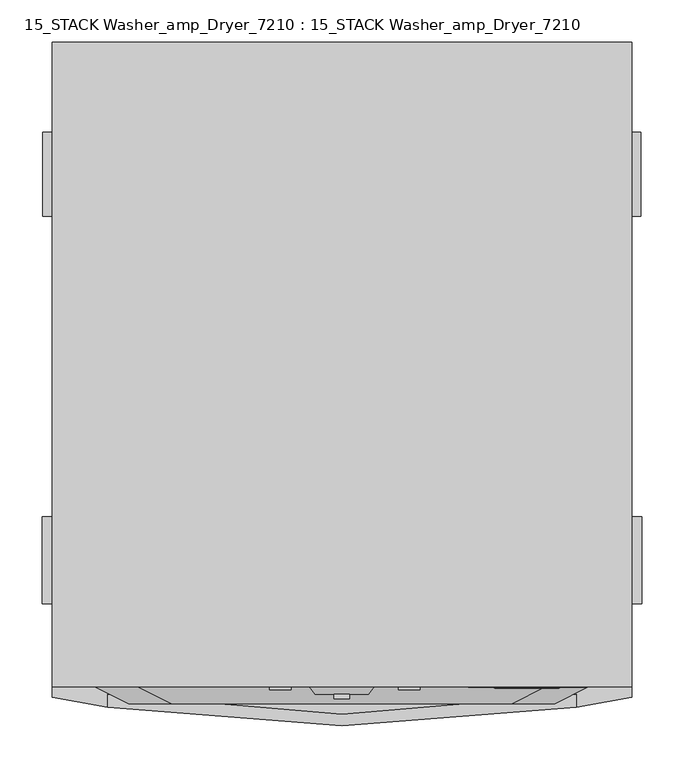
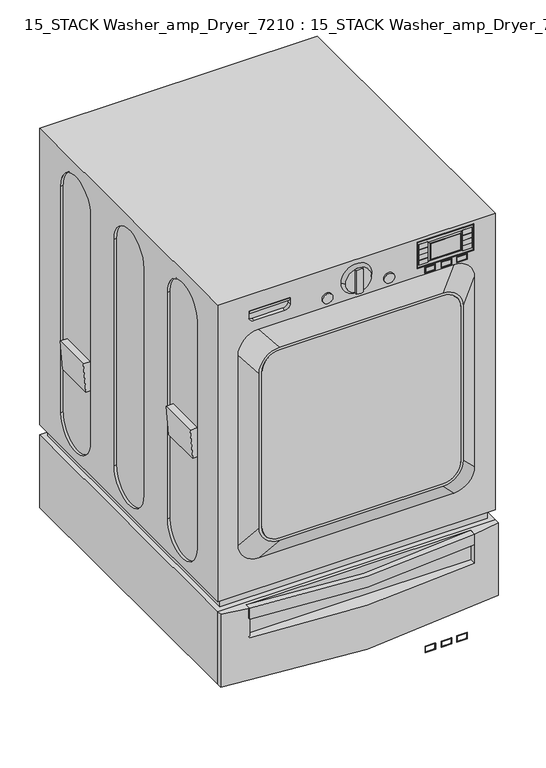
"""IFC4 building model written with IfcOpenShell, lengths in millimetres: proxy geometry, 15_STACK Washer_amp_Dryer_7210 : 15_STACK Washer_amp_Dryer_7210."""

from ifc_helpers import new_model, si_unit, point, frame, frame_2d, origin, place, context, project, spatial, polyline, circle_curve, trimmed, segment, composite_curve, outline, extrude, faceted_brep, source, transform, mapped, element, save
from ifc_brep_helpers import plane_surface, cylinder_surface, revolved_surface, extruded_surface, advanced_brep


def proxy_15_stack_washer_amp_dryer_7210_15_stack_washer_amp_69aaa019(model_context):
    return source(origin(), model_context, "Body", "SolidModel", [
        extrude(outline(polyline([(1902.0009332, 211.0211321), (1902.0009332, 185.1994352), (1886.1259332, 185.1994352), (1886.1259332, 211.0211321), (1902.0009332, 211.0211321)]), holes=[polyline([(1900.4134332, 186.7869352), (1900.4134332, 209.4336321), (1887.7134332, 209.4336321), (1887.7134332, 186.7869352), (1900.4134332, 186.7869352)])]), frame((0.0, -391.0803098, 0.0), z_axis=(0.0, 1.0, 0.0), x_axis=(0.0, 0.0, 1.0)), (0.0, 0.0, 1.0), 0.7866653),
        extrude(outline(polyline([(1902.0009332, 251.3883744), (1902.0009332, 225.5666775), (1886.1259332, 225.5666775), (1886.1259332, 251.3883744), (1902.0009332, 251.3883744)]), holes=[polyline([(1900.4134332, 227.1541775), (1900.4134332, 249.8008744), (1887.7134332, 249.8008744), (1887.7134332, 227.1541775), (1900.4134332, 227.1541775)])]), frame((0.0, -391.0803098, 0.0), z_axis=(0.0, 1.0, 0.0), x_axis=(0.0, 0.0, 1.0)), (0.0, 0.0, 1.0), 0.7866653),
        extrude(outline(polyline([(1902.0009332, 263.6666775), (1886.1259332, 263.6666775), (1886.1259332, 289.4883744), (1902.0009332, 289.4883744), (1902.0009332, 263.6666775)]), holes=[polyline([(1900.4134332, 265.2541775), (1900.4134332, 287.9008744), (1887.7134332, 287.9008744), (1887.7134332, 265.2541775), (1900.4134332, 265.2541775)])]), frame((0.0, -391.0803098, 0.0), z_axis=(0.0, 1.0, 0.0), x_axis=(0.0, 0.0, 1.0)), (0.0, 0.0, 1.0), 0.7866653),
        extrude(outline(polyline([(192.1864685, -391.0803098), (169.5397716, -391.0803098), (169.5397716, -390.2936445), (192.1864685, -390.2936445), (192.1864685, -391.0803098)])), frame((0.0, 0.0, 1952.9238204), z_axis=(0.0, 0.0, 1.0), x_axis=(1.0, 0.0, 0.0)), (0.0, 0.0, 1.0), 12.7),
        extrude(outline(polyline([(192.1864685, -391.0803098), (169.5397716, -391.0803098), (169.5397716, -390.2936445), (192.1864685, -390.2936445), (192.1864685, -391.0803098)])), frame((0.0, 0.0, 1939.0616641), z_axis=(0.0, 0.0, 1.0), x_axis=(1.0, 0.0, 0.0)), (0.0, 0.0, 1.0), 12.7),
        extrude(outline(polyline([(192.1864685, -391.0803098), (169.5397716, -391.0803098), (169.5397716, -390.2936445), (192.1864685, -390.2936445), (192.1864685, -391.0803098)])), frame((0.0, 0.0, 1925.646144), z_axis=(0.0, 0.0, 1.0), x_axis=(1.0, 0.0, 0.0)), (0.0, 0.0, 1.0), 12.7),
        extrude(outline(polyline([(192.1864685, -391.0803098), (169.5397716, -391.0803098), (169.5397716, -390.2936445), (192.1864685, -390.2936445), (192.1864685, -391.0803098)])), frame((0.0, 0.0, 1912.0185599), z_axis=(0.0, 0.0, 1.0), x_axis=(1.0, 0.0, 0.0)), (0.0, 0.0, 1.0), 12.7),
        extrude(outline(polyline([(301.0896339, -391.0803098), (278.442937, -391.0803098), (278.442937, -390.2936445), (301.0896339, -390.2936445), (301.0896339, -391.0803098)])), frame((0.0, 0.0, 1952.9238204), z_axis=(0.0, 0.0, 1.0), x_axis=(1.0, 0.0, 0.0)), (0.0, 0.0, 1.0), 12.7),
        extrude(outline(polyline([(301.0896339, -391.0803098), (278.442937, -391.0803098), (278.442937, -390.2936445), (301.0896339, -390.2936445), (301.0896339, -391.0803098)])), frame((0.0, 0.0, 1939.0616641), z_axis=(0.0, 0.0, 1.0), x_axis=(1.0, 0.0, 0.0)), (0.0, 0.0, 1.0), 12.7),
        extrude(outline(polyline([(301.0896339, -391.0803098), (278.442937, -391.0803098), (278.442937, -390.2936445), (301.0896339, -390.2936445), (301.0896339, -391.0803098)])), frame((0.0, 0.0, 1925.646144), z_axis=(0.0, 0.0, 1.0), x_axis=(1.0, 0.0, 0.0)), (0.0, 0.0, 1.0), 12.7),
        extrude(outline(polyline([(301.0896339, -391.0803098), (278.442937, -391.0803098), (278.442937, -390.2936445), (301.0896339, -390.2936445), (301.0896339, -391.0803098)])), frame((0.0, 0.0, 1912.0185599), z_axis=(0.0, 0.0, 1.0), x_axis=(1.0, 0.0, 0.0)), (0.0, 0.0, 1.0), 12.7),
        extrude(outline(polyline([(209.4336321, -391.0803098), (186.7869352, -391.0803098), (186.7869352, -390.2936445), (209.4336321, -390.2936445), (209.4336321, -391.0803098)])), frame((0.0, 0.0, 1887.7134332), z_axis=(0.0, 0.0, 1.0), x_axis=(1.0, 0.0, 0.0)), (0.0, 0.0, 1.0), 12.7),
        extrude(outline(polyline([(249.8008744, -391.0803098), (227.1541775, -391.0803098), (227.1541775, -390.2936445), (249.8008744, -390.2936445), (249.8008744, -391.0803098)])), frame((0.0, 0.0, 1887.7134332), z_axis=(0.0, 0.0, 1.0), x_axis=(1.0, 0.0, 0.0)), (0.0, 0.0, 1.0), 12.7),
        extrude(outline(polyline([(287.9008744, -391.0803098), (265.2541775, -391.0803098), (265.2541775, -390.2936445), (287.9008744, -390.2936445), (287.9008744, -391.0803098)])), frame((0.0, 0.0, 1887.7134332), z_axis=(0.0, 0.0, 1.0), x_axis=(1.0, 0.0, 0.0)), (0.0, 0.0, 1.0), 12.7),
        extrude(outline(polyline([(1973.0557153, 305.6694554), (1973.0557153, 165.9694554), (1904.4673607, 165.9694554), (1904.4673607, 305.6694554), (1973.0557153, 305.6694554)]), holes=[polyline([(1971.4682153, 304.0819554), (1906.0548607, 304.0819554), (1906.0548607, 167.5569554), (1971.4682153, 167.5569554), (1971.4682153, 304.0819554)])]), frame((0.0, -391.0803098, 0.0), z_axis=(0.0, 1.0, 0.0), x_axis=(0.0, 0.0, 1.0)), (0.0, 0.0, 1.0), 0.7866653),
        extrude(outline(polyline([(271.8272028, -392.0423381), (198.8022028, -392.0423381), (198.8022028, -390.2936445), (271.8272028, -390.2936445), (271.8272028, -392.0423381)])), frame((0.0, 0.0, 1918.124038), z_axis=(0.0, 0.0, 1.0), x_axis=(1.0, 0.0, 0.0)), (0.0, 0.0, 1.0), 41.275),
        faceted_brep([(197.2147028, -392.0423381, 1916.536538), (273.4147028, -392.0423381, 1916.536538), (273.4147028, -392.0423381, 1960.986538), (197.2147028, -392.0423381, 1960.986538), (271.8272028, -392.0423381, 1918.124038), (198.8022028, -392.0423381, 1918.124038), (198.8022028, -392.0423381, 1959.399038), (271.8272028, -392.0423381, 1959.399038), (194.0397028, -390.2936445, 1913.361538), (194.0397028, -390.2936445, 1964.161538), (276.5897028, -390.2936445, 1964.161538), (276.5897028, -390.2936445, 1913.361538), (198.8022028, -390.2936445, 1918.124038), (271.8272028, -390.2936445, 1918.124038), (271.8272028, -390.2936445, 1959.399038), (198.8022028, -390.2936445, 1959.399038)], [[[0, 1, 2, 3], [4, 5, 6, 7]], [[8, 9, 10, 11], [12, 13, 14, 15]], [[1, 0, 8, 11]], [[2, 1, 11, 10]], [[3, 2, 10, 9]], [[0, 3, 9, 8]], [[12, 5, 4, 13]], [[5, 12, 15, 6]], [[6, 15, 14, 7]], [[13, 4, 7, 14]]]),
        extrude(outline(polyline([(-147.4867893, -390.2936445), (-249.0867893, -390.2936445), (-249.0867893, -380.7400742), (-147.4867893, -380.7400742), (-147.4867893, -390.2936445)])), frame((0.0, 0.0, 1932.3444816), z_axis=(0.0, 0.0, 1.0), x_axis=(1.0, 0.0, 0.0)), (0.0, 0.0, 1.0), 6.35),
        extrude(outline(composite_curve([segment(trimmed(circle_curve(frame_2d((1906.2229173, -56.4640076)), 12.7), [point((1906.2229173, -43.7640076))], [point((1906.2229173, -69.1640076))], False, "CARTESIAN"), True, "CONTINUOUS"), segment(trimmed(circle_curve(frame_2d((1906.2229173, -56.4640076)), 12.7), [point((1906.2229173, -69.1640076))], [point((1906.2229173, -43.7640076))], False, "CARTESIAN"), True, "CONTINUOUS")], self_intersect=False)), frame((0.0, -394.0008539, 0.0), z_axis=(0.0, 1.0, 0.0), x_axis=(0.0, 0.0, 1.0)), (0.0, 0.0, 1.0), 3.7072094),
        extrude(outline(composite_curve([segment(trimmed(circle_curve(frame_2d((1906.2229173, 95.9359924)), 12.7), [point((1906.2229173, 108.6359924))], [point((1906.2229173, 83.2359924))], False, "CARTESIAN"), True, "CONTINUOUS"), segment(trimmed(circle_curve(frame_2d((1906.2229173, 95.9359924)), 12.7), [point((1906.2229173, 83.2359924))], [point((1906.2229173, 108.6359924))], False, "CARTESIAN"), True, "CONTINUOUS")], self_intersect=False)), frame((0.0, -394.0008539, 0.0), z_axis=(0.0, 1.0, 0.0), x_axis=(0.0, 0.0, 1.0)), (0.0, 0.0, 1.0), 3.7072094),
        extrude(outline(composite_curve([segment(trimmed(circle_curve(frame_2d((1932.1956378, 16.4238057)), 31.75), [point((1901.7609639, 7.3798503))], [point((1901.7609639, 25.467761))], False, "CARTESIAN"), True, "CONTINUOUS"), segment(polyline([(1901.7609639, 25.467761), (1962.6303116, 25.467761)]), True, "CONTINUOUS"), segment(trimmed(circle_curve(frame_2d((1932.1956378, 16.4238057)), 31.75), [point((1962.6303116, 25.467761))], [point((1962.6303116, 7.3798503))], False, "CARTESIAN"), True, "CONTINUOUS"), segment(polyline([(1962.6303116, 7.3798503), (1901.7609639, 7.3798503)]), True, "CONTINUOUS")], self_intersect=False)), frame((0.0, -404.6161886, 0.0), z_axis=(0.0, 1.0, 0.0), x_axis=(0.0, 0.0, 1.0)), (0.0, 0.0, 1.0), 5.5090694),
        advanced_brep(
        [(48.1738057, -399.1071192, 1932.1956378), (-15.3261943, -399.1071192, 1932.1956378), (54.5238057, -390.2936445, 1932.1956378), (-21.6761943, -390.2936445, 1932.1956378)],
        [
            (0, 1, circle_curve(frame((16.4238057, -399.1071192, 1932.1956378), z_axis=(0.0, -1.0, 0.0), x_axis=(1.0, 0.0, 0.0)), 31.75)),
            (1, 0, circle_curve(frame((16.4238057, -399.1071192, 1932.1956378), z_axis=(0.0, -1.0, 0.0), x_axis=(-1.0, 0.0, 0.0)), 31.75)),
            (2, 3, circle_curve(frame((16.4238057, -390.2936445, 1932.1956378), z_axis=(0.0, 1.0, 0.0), x_axis=(-1.0, 0.0, 0.0)), 38.1)),
            (3, 2, circle_curve(frame((16.4238057, -390.2936445, 1932.1956378), z_axis=(0.0, 1.0, 0.0), x_axis=(1.0, 0.0, 0.0)), 38.1)),
            (3, 1),
            (0, 2),
        ],
        [
            plane_surface(frame((16.4238057, -399.1071192, 1932.1956378), z_axis=(0.0, -1.0, 0.0), x_axis=(0.0, 0.0, 1.0))),
            plane_surface(frame((16.4238057, -390.2936445, 1932.1956378), z_axis=(0.0, 1.0, 0.0), x_axis=(0.0, 0.0, 1.0))),
            revolved_surface(polyline([(48.17380570000001, -399.1071192, 1932.1956378), (54.5238057, -390.2936445, 1932.1956378)]), (16.4238057, -443.1744927, 1932.1956378), (0.0, 1.0, 0.0)),
            revolved_surface(polyline([(-15.326194300000012, -399.1071192, 1932.1956378), (-21.676194299999995, -390.2936445, 1932.1956378)]), (16.4238057, -443.1744927, 1932.1956378), (0.0, 1.0, 0.0)),
        ],
        [
            (0, [[1, 2]]),
            (1, [[3, 4]]),
            (2, [[-4, 5, -1, 6]]),
            (3, [[-3, -6, -2, -5]]),
        ],
    ),
        extrude(outline(composite_curve([segment(trimmed(circle_curve(frame_2d((1783.1152706, -185.0516499)), 44.45), [point((1827.5652706, -185.0516499))], [point((1783.1152706, -229.5016499))], False, "CARTESIAN"), True, "CONTINUOUS"), segment(polyline([(1783.1152706, -229.5016499), (1380.5650979, -229.5016499)]), True, "CONTINUOUS"), segment(trimmed(circle_curve(frame_2d((1380.5650979, -185.0516499)), 44.45), [point((1380.5650979, -229.5016499))], [point((1336.1150979, -185.0516499))], False, "CARTESIAN"), True, "CONTINUOUS"), segment(polyline([(1336.1150979, -185.0516499), (1336.1150979, 217.8992612)]), True, "CONTINUOUS"), segment(trimmed(circle_curve(frame_2d((1380.5650979, 217.8992612)), 44.45), [point((1336.1150979, 217.8992612))], [point((1380.5650979, 262.3492612))], False, "CARTESIAN"), True, "CONTINUOUS"), segment(polyline([(1380.5650979, 262.3492612), (1783.1152706, 262.3492612)]), True, "CONTINUOUS"), segment(trimmed(circle_curve(frame_2d((1783.1152706, 217.8992612)), 44.45), [point((1783.1152706, 262.3492612))], [point((1827.5652706, 217.8992612))], False, "CARTESIAN"), True, "CONTINUOUS"), segment(polyline([(1827.5652706, 217.8992612), (1827.5652706, -185.0516499)]), True, "CONTINUOUS")], self_intersect=False)), frame((0.0, -410.543391, 0.0), z_axis=(0.0, 1.0, 0.0), x_axis=(0.0, 0.0, 1.0)), (0.0, 0.0, 1.0), 5.9272024),
        advanced_brep(
        [(217.8992612, -410.543391, 1833.9152706), (-185.0516499, -410.543391, 1833.9152706), (-235.8516499, -410.543391, 1783.1152706), (-235.8516499, -410.543391, 1380.5650979), (-185.0516499, -410.543391, 1329.7650979), (217.8992612, -410.543391, 1329.7650979), (268.6992612, -410.543391, 1380.5650979), (268.6992612, -410.543391, 1783.1152706), (-185.0516499, -410.543391, 1827.5652706), (217.8992612, -410.543391, 1827.5652706), (262.3492612, -410.543391, 1783.1152706), (262.3492612, -410.543391, 1380.5650979), (217.8992612, -410.543391, 1336.1150979), (-185.0516499, -410.543391, 1336.1150979), (-229.5016499, -410.543391, 1380.5650979), (-229.5016499, -410.543391, 1783.1152706), (257.2504312, -390.2936445, 1883.1912756), (308.0504312, -390.2936445, 1832.3912756), (308.0504312, -390.2936445, 1337.0912756), (257.2504312, -390.2936445, 1286.2912756), (-225.3495688, -390.2936445, 1286.2912756), (-276.1495688, -390.2936445, 1337.0912756), (-276.1495688, -390.2936445, 1832.3912756), (-225.3495688, -390.2936445, 1883.1912756), (217.8992612, -390.2936445, 1827.5652706), (-185.0516499, -390.2936445, 1827.5652706), (-229.5016499, -390.2936445, 1783.1152706), (-229.5016499, -390.2936445, 1380.5650979), (-185.0516499, -390.2936445, 1336.1150979), (217.8992612, -390.2936445, 1336.1150979), (262.3492612, -390.2936445, 1380.5650979), (262.3492612, -390.2936445, 1783.1152706)],
        [
            (0, 1),
            (1, 2, circle_curve(frame((-185.0516499, -410.543391, 1783.1152706), z_axis=(0.0, -1.0, 0.0), x_axis=(-1.0, 0.0, 0.0)), 50.8)),
            (2, 3),
            (3, 4, circle_curve(frame((-185.0516499, -410.543391, 1380.5650979), z_axis=(0.0, -1.0, 0.0), x_axis=(-1.0, 0.0, 0.0)), 50.8)),
            (4, 5),
            (5, 6, circle_curve(frame((217.8992612, -410.543391, 1380.5650979), z_axis=(0.0, -1.0, 0.0), x_axis=(-1.0, 0.0, 0.0)), 50.8)),
            (6, 7),
            (7, 0, circle_curve(frame((217.8992612, -410.543391, 1783.1152706), z_axis=(0.0, -1.0, 0.0), x_axis=(-1.0, 0.0, 0.0)), 50.8)),
            (8, 9),
            (9, 10, circle_curve(frame((217.8992612, -410.543391, 1783.1152706), z_axis=(0.0, 1.0, 0.0), x_axis=(-1.0, 0.0, 0.0)), 44.45)),
            (10, 11),
            (11, 12, circle_curve(frame((217.8992612, -410.543391, 1380.5650979), z_axis=(0.0, 1.0, 0.0), x_axis=(-1.0, 0.0, 0.0)), 44.45)),
            (12, 13),
            (13, 14, circle_curve(frame((-185.0516499, -410.543391, 1380.5650979), z_axis=(0.0, 1.0, 0.0), x_axis=(-1.0, 0.0, 0.0)), 44.45)),
            (14, 15),
            (15, 8, circle_curve(frame((-185.0516499, -410.543391, 1783.1152706), z_axis=(0.0, 1.0, 0.0), x_axis=(-1.0, 0.0, 0.0)), 44.45)),
            (16, 17, circle_curve(frame((257.2504312, -390.2936445, 1832.3912756), z_axis=(0.0, 1.0, 0.0), x_axis=(-1.0, 0.0, 0.0)), 50.8)),
            (17, 18),
            (18, 19, circle_curve(frame((257.2504312, -390.2936445, 1337.0912756), z_axis=(0.0, 1.0, 0.0), x_axis=(-1.0, 0.0, 0.0)), 50.8)),
            (19, 20),
            (20, 21, circle_curve(frame((-225.3495688, -390.2936445, 1337.0912756), z_axis=(0.0, 1.0, 0.0), x_axis=(-1.0, 0.0, 0.0)), 50.8)),
            (21, 22),
            (22, 23, circle_curve(frame((-225.3495688, -390.2936445, 1832.3912756), z_axis=(0.0, 1.0, 0.0), x_axis=(-1.0, 0.0, 0.0)), 50.8)),
            (23, 16),
            (24, 25),
            (25, 26, circle_curve(frame((-185.0516499, -390.2936445, 1783.1152706), z_axis=(0.0, -1.0, 0.0), x_axis=(-1.0, 0.0, 0.0)), 44.45)),
            (26, 27),
            (27, 28, circle_curve(frame((-185.0516499, -390.2936445, 1380.5650979), z_axis=(0.0, -1.0, 0.0), x_axis=(-1.0, 0.0, 0.0)), 44.45)),
            (28, 29),
            (29, 30, circle_curve(frame((217.8992612, -390.2936445, 1380.5650979), z_axis=(0.0, -1.0, 0.0), x_axis=(-1.0, 0.0, 0.0)), 44.45)),
            (30, 31),
            (31, 24, circle_curve(frame((217.8992612, -390.2936445, 1783.1152706), z_axis=(0.0, -1.0, 0.0), x_axis=(-1.0, 0.0, 0.0)), 44.45)),
            (0, 16),
            (23, 1),
            (22, 2),
            (21, 3),
            (20, 4),
            (19, 5),
            (18, 6),
            (17, 7),
            (24, 9),
            (8, 25),
            (31, 10),
            (30, 11),
            (29, 12),
            (28, 13),
            (27, 14),
            (26, 15),
        ],
        [
            plane_surface(frame((16.4238057, -410.543391, 1581.8401843), z_axis=(0.0, -1.0, 0.0), x_axis=(-1.0, 0.0, 0.0))),
            plane_surface(frame((15.9504312, -390.2936445, 1584.7412756), z_axis=(0.0, 1.0, 0.0), x_axis=(-1.0, 0.0, 0.0))),
            plane_surface(frame((15.9504312, -390.2936445, 1883.1912756), z_axis=(0.0, -0.9249446823395122, 0.3801017424478068), x_axis=(-1.0, 0.0, 0.0))),
            extruded_surface(trimmed(circle_curve(frame((-225.3495688, -390.2936445, 1832.3912756), z_axis=(0.0, -1.0, 0.0), x_axis=(-1.0, 0.0, 0.0)), 50.8), [point((-225.3495688, -390.2936445, 1883.1912756))], [point((-276.1495688, -390.2936445, 1832.3912756))], True, "CARTESIAN"), (40.297918899999985, -20.249746499999958, -49.27600499999994), 66.79894587300952),
            plane_surface(frame((-276.1495688, -390.2936445, 1584.7412756), z_axis=(-0.4490005145290813, -0.8935314980193034, 0.0), x_axis=(0.0, 0.0, -1.0))),
            extruded_surface(trimmed(circle_curve(frame((-225.3495688, -390.2936445, 1337.0912756), z_axis=(0.0, -1.0, 0.0), x_axis=(-1.0, 0.0, 0.0)), 50.8), [point((-276.1495688, -390.2936445, 1337.0912756))], [point((-225.3495688, -390.2936445, 1286.2912756))], True, "CARTESIAN"), (40.297918899999985, -20.249746499999958, 43.47382229999994), 62.6414218098313),
            plane_surface(frame((15.9504312, -390.2936445, 1286.2912756), z_axis=(0.0, -0.9064868415441062, -0.4222340655458658), x_axis=(1.0, 0.0, 0.0))),
            extruded_surface(trimmed(circle_curve(frame((257.2504312, -390.2936445, 1337.0912756), z_axis=(0.0, -1.0, 0.0), x_axis=(-1.0, 0.0, 0.0)), 50.8), [point((257.2504312, -390.2936445, 1286.2912756))], [point((308.0504312, -390.2936445, 1337.0912756))], True, "CARTESIAN"), (-39.35116999999997, -20.249746499999958, 43.47382229999994), 62.036602413858304),
            plane_surface(frame((308.0504312, -390.2936445, 1584.7412756), z_axis=(0.4575624687590942, -0.8891774778878979, 0.0), x_axis=(0.0, 0.0, 1.0))),
            extruded_surface(trimmed(circle_curve(frame((257.2504312, -390.2936445, 1832.3912756), z_axis=(0.0, -1.0, 0.0), x_axis=(-1.0, 0.0, 0.0)), 50.8), [point((308.0504312, -390.2936445, 1832.3912756))], [point((257.2504312, -390.2936445, 1883.1912756))], True, "CARTESIAN"), (-39.35116999999997, -20.249746499999958, -49.27600499999994), 66.2321031105247),
            plane_surface(frame((-185.0516499, -390.2936445, 1827.5652706), z_axis=(0.0, 0.0, -1.0), x_axis=(0.0, -1.0, 0.0))),
            revolved_surface(polyline([(173.44926120000002, -390.2936445, 1783.1152706), (173.44926120000002, -410.543391, 1783.1152706)]), (217.8992612, -410.543391, 1783.1152706), (0.0, 1.0, 0.0)),
            plane_surface(frame((262.3492612, -390.2936445, 1783.1152706), z_axis=(-1.0, 0.0, 0.0), x_axis=(0.0, -1.0, 0.0))),
            revolved_surface(polyline([(173.44926120000002, -390.2936445, 1380.5650979), (173.44926120000002, -410.543391, 1380.5650979)]), (217.8992612, -410.543391, 1380.5650979), (0.0, 1.0, 0.0)),
            plane_surface(frame((217.8992612, -390.2936445, 1336.1150979), z_axis=(0.0, 0.0, 1.0), x_axis=(0.0, -1.0, 0.0))),
            revolved_surface(polyline([(-229.50164990000002, -390.2936445, 1380.5650979), (-229.50164990000002, -410.543391, 1380.5650979)]), (-185.0516499, -410.543391, 1380.5650979), (0.0, 1.0, 0.0)),
            plane_surface(frame((-229.5016499, -390.2936445, 1380.5650979), z_axis=(1.0, 0.0, 0.0), x_axis=(0.0, -1.0, 0.0))),
            revolved_surface(polyline([(-229.50164990000002, -390.2936445, 1783.1152706), (-229.50164990000002, -410.543391, 1783.1152706)]), (-185.0516499, -410.543391, 1783.1152706), (0.0, 1.0, 0.0)),
        ],
        [
            (0, [[1, 2, 3, 4, 5, 6, 7, 8], [9, 10, 11, 12, 13, 14, 15, 16]]),
            (1, [[17, 18, 19, 20, 21, 22, 23, 24], [25, 26, 27, 28, 29, 30, 31, 32]]),
            (2, [[-1, 33, -24, 34]]),
            (3, [[-2, -34, -23, 35]]),
            (4, [[-3, -35, -22, 36]]),
            (5, [[-4, -36, -21, 37]]),
            (6, [[-5, -37, -20, 38]]),
            (7, [[-6, -38, -19, 39]]),
            (8, [[-7, -39, -18, 40]]),
            (9, [[-8, -40, -17, -33]]),
            (10, [[41, -9, 42, -25]]),
            (11, [[-41, -32, 43, -10]]),
            (12, [[-43, -31, 44, -11]]),
            (13, [[-44, -30, 45, -12]]),
            (14, [[-45, -29, 46, -13]]),
            (15, [[-46, -28, 47, -14]]),
            (16, [[-47, -27, 48, -15]]),
            (17, [[-42, -16, -48, -26]]),
        ],
    ),
        extrude(outline(polyline([(1835.8401843, 14.454897), (1835.8401843, -237.5761943), (1583.6087237, -237.5761943), (1580.0716448, -237.5761943), (1327.8401843, -237.5761943), (1327.8401843, 14.454897), (1327.8401843, 18.3927143), (1327.8401843, 270.4238057), (1580.0716448, 270.4238057), (1583.6087237, 270.4238057), (1835.8401843, 270.4238057), (1835.8401843, 18.3927143), (1835.8401843, 14.454897)]), holes=[composite_curve([segment(polyline([(1833.9152706, 14.454897), (1833.9152706, 18.3927143)]), True, "CONTINUOUS"), segment(trimmed(circle_curve(frame_2d((1583.6087237, 18.3927143)), 250.3065469), [point((1833.9152706, 18.3927143))], [point((1583.6087237, 268.6992612))], True, "CARTESIAN"), True, "CONTINUOUS"), segment(polyline([(1583.6087237, 268.6992612), (1580.0716448, 268.6992612)]), True, "CONTINUOUS"), segment(trimmed(circle_curve(frame_2d((1580.0716448, 18.3927143)), 250.3065469), [point((1580.0716448, 268.6992612))], [point((1329.7650979, 18.3927143))], True, "CARTESIAN"), True, "CONTINUOUS"), segment(polyline([(1329.7650979, 18.3927143), (1329.7650979, 14.454897)]), True, "CONTINUOUS"), segment(trimmed(circle_curve(frame_2d((1580.0716448, 14.454897)), 250.3065469), [point((1329.7650979, 14.454897))], [point((1580.0716448, -235.8516499))], True, "CARTESIAN"), True, "CONTINUOUS"), segment(polyline([(1580.0716448, -235.8516499), (1583.6087237, -235.8516499)]), True, "CONTINUOUS"), segment(trimmed(circle_curve(frame_2d((1583.6087237, 14.454897)), 250.3065469), [point((1583.6087237, -235.8516499))], [point((1833.9152706, 14.454897))], True, "CARTESIAN"), True, "CONTINUOUS")], self_intersect=False)]), frame((0.0, -390.2936445, 0.0), z_axis=(0.0, 1.0, 0.0), x_axis=(0.0, 0.0, 1.0)), (0.0, 0.0, 1.0), 671.8529017),
        extrude(outline(composite_curve([segment(trimmed(circle_curve(frame_2d((16.4238057, 1339.6314881)), 1776.0413179), [point((293.796452, -414.6168346))], [point((-260.9488406, -414.6168346))], False, "CARTESIAN"), True, "CONTINUOUS"), segment(polyline([(-260.9488406, -414.6168346), (-260.9488406, -399.1071192)]), True, "CONTINUOUS"), segment(trimmed(circle_curve(frame_2d((16.4238057, 1213.7593612)), 1636.5432681), [point((-260.9488406, -399.1071192))], [point((293.796452, -399.1071192))], True, "CARTESIAN"), True, "CONTINUOUS"), segment(polyline([(293.796452, -399.1071192), (293.796452, -414.6168346)]), True, "CONTINUOUS")], self_intersect=False)), frame((0.0, 0.0, 1152.6886186), z_axis=(0.0, 0.0, 1.0), x_axis=(1.0, 0.0, 0.0)), (0.0, 0.0, 1.0), 28.4113814),
        advanced_brep(
        [(359.3238057, -402.9936445, 1181.1), (359.3238057, -390.2936445, 1181.1), (-326.4761943, -390.2936445, 1181.1), (-326.4761943, -402.9936445, 1181.1), (-260.9488406, -414.6168346, 1181.1), (-260.9488406, -399.1071192, 1181.1), (293.796452, -399.1071192, 1181.1), (293.796452, -414.6168346, 1181.1), (-326.4761943, -402.9936445, 990.6), (-326.4761943, -390.2936445, 990.6), (359.3238057, -390.2936445, 990.6), (359.3238057, -402.9936445, 990.6), (293.796452, -414.6168346, 1104.9), (-260.9488406, -414.6168346, 1104.9), (293.796452, -399.1071192, 1104.9), (-260.9488406, -399.1071192, 1104.9)],
        [
            (0, 1),
            (1, 2),
            (2, 3),
            (3, 4, circle_curve(frame((16.4238057, 1339.6314881, 1181.1), z_axis=(0.0, 0.0, 1.0), x_axis=(1.0, 0.0, 0.0)), 1776.0413179)),
            (4, 5),
            (5, 6),
            (6, 7),
            (7, 0, circle_curve(frame((16.4238057, 1339.6314881, 1181.1), z_axis=(0.0, 0.0, 1.0), x_axis=(1.0, 0.0, 0.0)), 1776.0413179)),
            (8, 9),
            (9, 10),
            (10, 11),
            (11, 8, circle_curve(frame((16.4238057, 1339.6314881, 990.6), z_axis=(0.0, 0.0, -1.0), x_axis=(1.0, 0.0, 0.0)), 1776.0413179)),
            (11, 0),
            (7, 12),
            (12, 13, circle_curve(frame((16.4238057, 1339.6314881, 1104.9), z_axis=(0.0, 0.0, -1.0), x_axis=(1.0, 0.0, 0.0)), 1776.0413179)),
            (13, 4),
            (3, 8),
            (10, 1),
            (9, 2),
            (14, 15),
            (15, 13),
            (12, 14),
            (14, 6),
            (5, 15),
        ],
        [
            plane_surface(frame((1792.4651235, 1339.6314881, 1181.1), z_axis=(0.0, 0.0, 1.0), x_axis=(0.0, 1.0, 0.0))),
            plane_surface(frame((1792.4651235, 1339.6314881, 990.6), z_axis=(0.0, 0.0, -1.0), x_axis=(0.0, -1.0, 0.0))),
            cylinder_surface(frame((16.4238057, 1339.6314881, 990.6), z_axis=(0.0, 0.0, 1.0), x_axis=(1.0, 0.0, 0.0)), 1776.0413179),
            plane_surface(frame((359.3238057, -402.9936445, 1181.1), z_axis=(1.0, 0.0, 0.0), x_axis=(0.0, 0.0, -1.0))),
            plane_surface(frame((359.3238057, -390.2936445, 1181.1), z_axis=(0.0, 1.0, 0.0), x_axis=(0.0, 0.0, -1.0))),
            plane_surface(frame((-326.4761943, -390.2936445, 1181.1), z_axis=(-1.0, 0.0, 0.0), x_axis=(0.0, 0.0, -1.0))),
            plane_surface(frame((-260.9488406, -399.1071192, 1104.9), z_axis=(0.0, 0.0, 1.0), x_axis=(1.0, 0.0, 0.0))),
            plane_surface(frame((293.796452, -399.1071192, 1181.1), z_axis=(0.0, -1.0, 0.0), x_axis=(0.0, 0.0, -1.0))),
            plane_surface(frame((-260.9488406, -399.1071192, 1181.1), z_axis=(1.0, 0.0, 0.0), x_axis=(0.0, 0.0, -1.0))),
            plane_surface(frame((293.796452, -450.8404403, 1181.1), z_axis=(-1.0, 0.0, 0.0), x_axis=(0.0, 0.0, -1.0))),
        ],
        [
            (0, [[1, 2, 3, 4, 5, 6, 7, 8]]),
            (1, [[9, 10, 11, 12]]),
            (2, [[-12, 13, -8, 14, 15, 16, -4, 17]]),
            (3, [[-1, -13, -11, 18]]),
            (4, [[-2, -18, -10, 19]]),
            (5, [[-3, -19, -9, -17]]),
            (6, [[20, 21, -15, 22]]),
            (7, [[-20, 23, -6, 24]]),
            (8, [[-24, -5, -16, -21]]),
            (9, [[-23, -22, -14, -7]]),
        ],
    ),
        extrude(outline(polyline([(1599.7560344, 371.0733881), (1599.7560344, 352.9738057), (1523.3326651, 352.9738057), (1523.3326651, 364.3872097), (1599.7560344, 371.0733881)])), frame((0.0, -292.3236638, 0.0), z_axis=(0.0, 1.0, 0.0), x_axis=(0.0, 0.0, 1.0)), (0.0, 0.0, 1.0), 102.8389314),
        extrude(outline(polyline([(1494.3382362, 370.4158475), (1494.3382362, 352.9738057), (1417.8297371, 352.9738057), (1417.8297371, 363.7222212), (1494.3382362, 370.4158475)])), frame((0.0, 166.2463698, 0.0), z_axis=(0.0, 1.0, 0.0), x_axis=(0.0, 0.0, 1.0)), (0.0, 0.0, 1.0), 98.958217),
        extrude(outline(polyline([(1599.7560344, -338.2257768), (1523.3326651, -331.5395983), (1523.3326651, -320.1261943), (1599.7560344, -320.1261943), (1599.7560344, -338.2257768)])), frame((0.0, -292.3236638, 0.0), z_axis=(0.0, 1.0, 0.0), x_axis=(0.0, 0.0, 1.0)), (0.0, 0.0, 1.0), 102.8389314),
        extrude(outline(polyline([(1494.3382362, -337.5682362), (1417.8297371, -330.8746098), (1417.8297371, -320.1261943), (1494.3382362, -320.1261943), (1494.3382362, -337.5682362)])), frame((0.0, 166.2463698, 0.0), z_axis=(0.0, 1.0, 0.0), x_axis=(0.0, 0.0, 1.0)), (0.0, 0.0, 1.0), 98.958217),
        advanced_brep(
        [(359.3238057, 371.7063555, 1981.2), (-326.4761943, 371.7063555, 1981.2), (-326.4761943, -390.2936445, 1981.2), (359.3238057, -390.2936445, 1981.2), (359.3238057, 371.7063555, 990.6), (359.3238057, -390.2936445, 990.6), (-326.4761943, -390.2936445, 990.6), (-326.4761943, 371.7063555, 990.6), (359.3238057, 371.7063555, 1206.5), (-326.4761943, 371.7063555, 1206.5), (-326.4761943, 371.7063555, 1181.1), (359.3238057, 371.7063555, 1181.1), (-326.4761943, -390.2936445, 1206.5), (-326.4761943, -302.6407428, 1885.0003538), (-326.4761943, -302.6407428, 1293.2506252), (-326.4761943, -175.6407428, 1293.2506252), (-326.4761943, -175.6407428, 1885.0003538), (-326.4761943, -74.0407428, 1885.0003538), (-326.4761943, -74.0407428, 1293.2506252), (-326.4761943, 52.9592572, 1293.2506252), (-326.4761943, 52.9592572, 1885.0003538), (-326.4761943, 154.5592572, 1885.0003538), (-326.4761943, 154.5592572, 1293.2506252), (-326.4761943, 281.5592572, 1293.2506252), (-326.4761943, 281.5592572, 1885.0003538), (-326.4761943, -390.2936445, 1181.1), (359.3238057, -390.2936445, 1206.5), (270.4238057, -390.2936445, 1835.8401843), (270.4238057, -390.2936445, 1327.8401843), (-237.5761943, -390.2936445, 1327.8401843), (-237.5761943, -390.2936445, 1835.8401843), (-147.4867893, -390.2936445, 1938.6944816), (-147.4867893, -390.2936445, 1922.8194816), (-160.1867893, -390.2936445, 1910.1194816), (-236.3867893, -390.2936445, 1910.1194816), (-249.0867893, -390.2936445, 1922.8194816), (-249.0867893, -390.2936445, 1938.6944816), (359.3238057, -390.2936445, 1181.1), (359.3238057, -302.6407428, 1293.2506252), (359.3238057, -302.6407428, 1885.0003538), (359.3238057, -175.6407428, 1885.0003538), (359.3238057, -175.6407428, 1293.2506252), (359.3238057, -74.0407428, 1293.2506252), (359.3238057, -74.0407428, 1885.0003538), (359.3238057, 52.9592572, 1885.0003538), (359.3238057, 52.9592572, 1293.2506252), (359.3238057, 154.5592572, 1293.2506252), (359.3238057, 154.5592572, 1885.0003538), (359.3238057, 281.5592572, 1885.0003538), (359.3238057, 281.5592572, 1293.2506252), (-313.7761943, -377.5936445, 1181.1), (346.6238057, -377.5936445, 1181.1), (346.6238057, -377.5936445, 1206.5), (-313.7761943, -377.5936445, 1206.5), (346.6238057, 359.0063555, 1181.1), (346.6238057, 359.0063555, 1206.5), (-313.7761943, 359.0063555, 1181.1), (-313.7761943, 359.0063555, 1206.5), (-320.1261943, -302.6407428, 1885.0003538), (-320.1261943, -175.6407428, 1885.0003538), (-320.1261943, -175.6407428, 1293.2506252), (-320.1261943, -302.6407428, 1293.2506252), (-320.1261943, -74.0407428, 1885.0003538), (-320.1261943, 52.9592572, 1885.0003538), (-320.1261943, 52.9592572, 1293.2506252), (-320.1261943, -74.0407428, 1293.2506252), (-320.1261943, 154.5592572, 1885.0003538), (-320.1261943, 281.5592572, 1885.0003538), (-320.1261943, 281.5592572, 1293.2506252), (-320.1261943, 154.5592572, 1293.2506252), (352.9738057, -302.6407428, 1885.0003538), (352.9738057, -302.6407428, 1293.2506252), (352.9738057, -175.6407428, 1293.2506252), (352.9738057, -175.6407428, 1885.0003538), (352.9738057, -74.0407428, 1885.0003538), (352.9738057, -74.0407428, 1293.2506252), (352.9738057, 52.9592572, 1293.2506252), (352.9738057, 52.9592572, 1885.0003538), (352.9738057, 154.5592572, 1885.0003538), (352.9738057, 154.5592572, 1293.2506252), (352.9738057, 281.5592572, 1293.2506252), (352.9738057, 281.5592572, 1885.0003538), (270.4238057, 281.5592572, 1835.8401843), (-237.5761943, 281.5592572, 1835.8401843), (-237.5761943, 281.5592572, 1327.8401843), (270.4238057, 281.5592572, 1327.8401843), (-147.4867893, -380.7400742, 1938.6944816), (-249.0867893, -380.7400742, 1938.6944816), (-249.0867893, -380.7400742, 1922.8194816), (-236.3867893, -380.7400742, 1910.1194816), (-160.1867893, -380.7400742, 1910.1194816), (-147.4867893, -380.7400742, 1922.8194816)],
        [
            (0, 1),
            (1, 2),
            (2, 3),
            (3, 0),
            (4, 5),
            (5, 6),
            (6, 7),
            (7, 4),
            (0, 8),
            (8, 9),
            (9, 1),
            (7, 10),
            (10, 11),
            (11, 4),
            (9, 12),
            (12, 2),
            (13, 14),
            (14, 15, circle_curve(frame((-326.4761943, -239.1407428, 1293.2506252), z_axis=(1.0, 0.0, 0.0), x_axis=(0.0, -1.0, 0.0)), 63.5)),
            (15, 16),
            (16, 13, circle_curve(frame((-326.4761943, -239.1407428, 1885.0003538), z_axis=(1.0, 0.0, 0.0), x_axis=(0.0, -1.0, 0.0)), 63.5)),
            (17, 18),
            (18, 19, circle_curve(frame((-326.4761943, -10.5407428, 1293.2506252), z_axis=(1.0, 0.0, 0.0), x_axis=(0.0, -1.0, 0.0)), 63.5)),
            (19, 20),
            (20, 17, circle_curve(frame((-326.4761943, -10.5407428, 1885.0003538), z_axis=(1.0, 0.0, 0.0), x_axis=(0.0, -1.0, 0.0)), 63.5)),
            (21, 22),
            (22, 23, circle_curve(frame((-326.4761943, 218.0592572, 1293.2506252), z_axis=(1.0, 0.0, 0.0), x_axis=(0.0, -1.0, 0.0)), 63.5)),
            (23, 24),
            (24, 21, circle_curve(frame((-326.4761943, 218.0592572, 1885.0003538), z_axis=(1.0, 0.0, 0.0), x_axis=(0.0, -1.0, 0.0)), 63.5)),
            (6, 25),
            (25, 10),
            (12, 26),
            (26, 3),
            (27, 28),
            (28, 29),
            (29, 30),
            (30, 27),
            (31, 32),
            (32, 33, circle_curve(frame((-160.1867893, -390.2936445, 1922.8194816), z_axis=(0.0, 1.0, 0.0), x_axis=(1.0, 0.0, 0.0)), 12.7)),
            (33, 34),
            (34, 35, circle_curve(frame((-236.3867893, -390.2936445, 1922.8194816), z_axis=(0.0, 1.0, 0.0), x_axis=(1.0, 0.0, 0.0)), 12.7)),
            (35, 36),
            (36, 31),
            (5, 37),
            (37, 25),
            (26, 8),
            (38, 39),
            (39, 40, circle_curve(frame((359.3238057, -239.1407428, 1885.0003538), z_axis=(-1.0, 0.0, 0.0), x_axis=(0.0, -1.0, 0.0)), 63.5)),
            (40, 41),
            (41, 38, circle_curve(frame((359.3238057, -239.1407428, 1293.2506252), z_axis=(-1.0, 0.0, 0.0), x_axis=(0.0, -1.0, 0.0)), 63.5)),
            (42, 43),
            (43, 44, circle_curve(frame((359.3238057, -10.5407428, 1885.0003538), z_axis=(-1.0, 0.0, 0.0), x_axis=(0.0, -1.0, 0.0)), 63.5)),
            (44, 45),
            (45, 42, circle_curve(frame((359.3238057, -10.5407428, 1293.2506252), z_axis=(-1.0, 0.0, 0.0), x_axis=(0.0, -1.0, 0.0)), 63.5)),
            (46, 47),
            (47, 48, circle_curve(frame((359.3238057, 218.0592572, 1885.0003538), z_axis=(-1.0, 0.0, 0.0), x_axis=(0.0, -1.0, 0.0)), 63.5)),
            (48, 49),
            (49, 46, circle_curve(frame((359.3238057, 218.0592572, 1293.2506252), z_axis=(-1.0, 0.0, 0.0), x_axis=(0.0, -1.0, 0.0)), 63.5)),
            (11, 37),
            (50, 51),
            (51, 52),
            (52, 53),
            (53, 50),
            (51, 54),
            (54, 55),
            (55, 52),
            (54, 56),
            (56, 57),
            (57, 55),
            (57, 53),
            (56, 50),
            (58, 59, circle_curve(frame((-320.1261943, -239.1407428, 1885.0003538), z_axis=(-1.0, 0.0, 0.0), x_axis=(0.0, -1.0, 0.0)), 63.5)),
            (59, 60),
            (60, 61, circle_curve(frame((-320.1261943, -239.1407428, 1293.2506252), z_axis=(-1.0, 0.0, 0.0), x_axis=(0.0, -1.0, 0.0)), 63.5)),
            (61, 58),
            (62, 63, circle_curve(frame((-320.1261943, -10.5407428, 1885.0003538), z_axis=(-1.0, 0.0, 0.0), x_axis=(0.0, -1.0, 0.0)), 63.5)),
            (63, 64),
            (64, 65, circle_curve(frame((-320.1261943, -10.5407428, 1293.2506252), z_axis=(-1.0, 0.0, 0.0), x_axis=(0.0, -1.0, 0.0)), 63.5)),
            (65, 62),
            (66, 67, circle_curve(frame((-320.1261943, 218.0592572, 1885.0003538), z_axis=(-1.0, 0.0, 0.0), x_axis=(0.0, -1.0, 0.0)), 63.5)),
            (67, 68),
            (68, 69, circle_curve(frame((-320.1261943, 218.0592572, 1293.2506252), z_axis=(-1.0, 0.0, 0.0), x_axis=(0.0, -1.0, 0.0)), 63.5)),
            (69, 66),
            (61, 14),
            (13, 58),
            (60, 15),
            (59, 16),
            (65, 18),
            (17, 62),
            (64, 19),
            (63, 20),
            (69, 22),
            (21, 66),
            (68, 23),
            (67, 24),
            (70, 71),
            (71, 72, circle_curve(frame((352.9738057, -239.1407428, 1293.2506252), z_axis=(1.0, 0.0, 0.0), x_axis=(0.0, -1.0, 0.0)), 63.5)),
            (72, 73),
            (73, 70, circle_curve(frame((352.9738057, -239.1407428, 1885.0003538), z_axis=(1.0, 0.0, 0.0), x_axis=(0.0, -1.0, 0.0)), 63.5)),
            (74, 75),
            (75, 76, circle_curve(frame((352.9738057, -10.5407428, 1293.2506252), z_axis=(1.0, 0.0, 0.0), x_axis=(0.0, -1.0, 0.0)), 63.5)),
            (76, 77),
            (77, 74, circle_curve(frame((352.9738057, -10.5407428, 1885.0003538), z_axis=(1.0, 0.0, 0.0), x_axis=(0.0, -1.0, 0.0)), 63.5)),
            (78, 79),
            (79, 80, circle_curve(frame((352.9738057, 218.0592572, 1293.2506252), z_axis=(1.0, 0.0, 0.0), x_axis=(0.0, -1.0, 0.0)), 63.5)),
            (80, 81),
            (81, 78, circle_curve(frame((352.9738057, 218.0592572, 1885.0003538), z_axis=(1.0, 0.0, 0.0), x_axis=(0.0, -1.0, 0.0)), 63.5)),
            (73, 40),
            (39, 70),
            (72, 41),
            (71, 38),
            (77, 44),
            (43, 74),
            (76, 45),
            (75, 42),
            (81, 48),
            (47, 78),
            (80, 49),
            (79, 46),
            (82, 83),
            (83, 84),
            (84, 85),
            (85, 82),
            (85, 28),
            (27, 82),
            (84, 29),
            (83, 30),
            (86, 87),
            (87, 88),
            (88, 89, circle_curve(frame((-236.3867893, -380.7400742, 1922.8194816), z_axis=(0.0, -1.0, 0.0), x_axis=(1.0, 0.0, 0.0)), 12.7)),
            (89, 90),
            (90, 91, circle_curve(frame((-160.1867893, -380.7400742, 1922.8194816), z_axis=(0.0, -1.0, 0.0), x_axis=(1.0, 0.0, 0.0)), 12.7)),
            (91, 86),
            (91, 32),
            (31, 86),
            (90, 33),
            (89, 34),
            (88, 35),
            (87, 36),
        ],
        [
            plane_surface(frame((-326.4761943, 371.7063555, 1981.2), z_axis=(0.0, 0.0, 1.0), x_axis=(-1.0, 0.0, 0.0))),
            plane_surface(frame((-326.4761943, 371.7063555, 990.6), z_axis=(0.0, 0.0, -1.0), x_axis=(1.0, 0.0, 0.0))),
            plane_surface(frame((359.3238057, 371.7063555, 1981.2), z_axis=(0.0, 1.0, 0.0), x_axis=(0.0, 0.0, -1.0))),
            plane_surface(frame((-326.4761943, 371.7063555, 1981.2), z_axis=(-1.0, 0.0, 0.0), x_axis=(0.0, 0.0, -1.0))),
            plane_surface(frame((-326.4761943, -390.2936445, 1981.2), z_axis=(0.0, -1.0, 0.0), x_axis=(0.0, 0.0, -1.0))),
            plane_surface(frame((359.3238057, -390.2936445, 1981.2), z_axis=(1.0, 0.0, 0.0), x_axis=(0.0, 0.0, -1.0))),
            plane_surface(frame((-313.7761943, -377.5936445, 1206.5), z_axis=(0.0, -1.0, 0.0), x_axis=(1.0, 0.0, 0.0))),
            plane_surface(frame((346.6238057, -377.5936445, 1206.5), z_axis=(1.0, 0.0, 0.0), x_axis=(0.0, 1.0, 0.0))),
            plane_surface(frame((346.6238057, 359.0063555, 1206.5), z_axis=(0.0, 1.0, 0.0), x_axis=(-1.0, 0.0, 0.0))),
            plane_surface(frame((-326.4761943, 371.7063555, 1206.5), z_axis=(0.0, 0.0, -1.0), x_axis=(0.0, -1.0, 0.0))),
            plane_surface(frame((-313.7761943, 359.0063555, 1206.5), z_axis=(-1.0, 0.0, 0.0), x_axis=(0.0, -1.0, 0.0))),
            plane_surface(frame((-313.7761943, 359.0063555, 1181.1), z_axis=(0.0, 0.0, 1.0), x_axis=(0.0, -1.0, 0.0))),
            plane_surface(frame((-320.1261943, -302.6407428, 1293.2506252), z_axis=(-1.0, 0.0, 0.0), x_axis=(0.0, 0.0, -1.0))),
            plane_surface(frame((-320.1261943, -302.6407428, 1885.0003538), z_axis=(0.0, 1.0, 0.0), x_axis=(-1.0, 0.0, 0.0))),
            revolved_surface(polyline([(-320.1261943, -302.6407428, 1293.2506252), (-326.4761943, -302.6407428, 1293.2506252)]), (-326.4761943, -239.1407428, 1293.2506252), (1.0, 0.0, 0.0)),
            plane_surface(frame((-320.1261943, -175.6407428, 1293.2506252), z_axis=(0.0, -1.0, 0.0), x_axis=(-1.0, 0.0, 0.0))),
            revolved_surface(polyline([(-320.1261943, -302.6407428, 1885.0003538), (-326.4761943, -302.6407428, 1885.0003538)]), (-326.4761943, -239.1407428, 1885.0003538), (1.0, 0.0, 0.0)),
            plane_surface(frame((-320.1261943, -74.0407428, 1885.0003538), z_axis=(0.0, 1.0, 0.0), x_axis=(-1.0, 0.0, 0.0))),
            revolved_surface(polyline([(-320.1261943, -74.0407428, 1293.2506252), (-326.4761943, -74.0407428, 1293.2506252)]), (-326.4761943, -10.5407428, 1293.2506252), (1.0, 0.0, 0.0)),
            plane_surface(frame((-320.1261943, 52.9592572, 1293.2506252), z_axis=(0.0, -1.0, 0.0), x_axis=(-1.0, 0.0, 0.0))),
            revolved_surface(polyline([(-320.1261943, -74.0407428, 1885.0003538), (-326.4761943, -74.0407428, 1885.0003538)]), (-326.4761943, -10.5407428, 1885.0003538), (1.0, 0.0, 0.0)),
            plane_surface(frame((-320.1261943, 154.5592572, 1885.0003538), z_axis=(0.0, 1.0, 0.0), x_axis=(-1.0, 0.0, 0.0))),
            revolved_surface(polyline([(-320.1261943, 154.5592572, 1293.2506252), (-326.4761943, 154.5592572, 1293.2506252)]), (-326.4761943, 218.0592572, 1293.2506252), (1.0, 0.0, 0.0)),
            plane_surface(frame((-320.1261943, 281.5592572, 1293.2506252), z_axis=(0.0, -1.0, 0.0), x_axis=(-1.0, 0.0, 0.0))),
            revolved_surface(polyline([(-320.1261943, 154.5592572, 1885.0003538), (-326.4761943, 154.5592572, 1885.0003538)]), (-326.4761943, 218.0592572, 1885.0003538), (1.0, 0.0, 0.0)),
            plane_surface(frame((352.9738057, -302.6407428, 1885.0003538), z_axis=(1.0, 0.0, 0.0), x_axis=(0.0, 0.0, 1.0))),
            revolved_surface(polyline([(352.9738057, -302.6407428, 1885.0003538), (359.3238057, -302.6407428, 1885.0003538)]), (359.3238057, -239.1407428, 1885.0003538), (-1.0, 0.0, 0.0)),
            plane_surface(frame((352.9738057, -175.6407428, 1885.0003538), z_axis=(0.0, -1.0, 0.0), x_axis=(1.0, 0.0, 0.0))),
            revolved_surface(polyline([(352.9738057, -302.6407428, 1293.2506252), (359.3238057, -302.6407428, 1293.2506252)]), (359.3238057, -239.1407428, 1293.2506252), (-1.0, 0.0, 0.0)),
            plane_surface(frame((352.9738057, -302.6407428, 1293.2506252), z_axis=(0.0, 1.0, 0.0), x_axis=(1.0, 0.0, 0.0))),
            revolved_surface(polyline([(352.9738057, -74.0407428, 1885.0003538), (359.3238057, -74.0407428, 1885.0003538)]), (359.3238057, -10.5407428, 1885.0003538), (-1.0, 0.0, 0.0)),
            plane_surface(frame((352.9738057, 52.9592572, 1885.0003538), z_axis=(0.0, -1.0, 0.0), x_axis=(1.0, 0.0, 0.0))),
            revolved_surface(polyline([(352.9738057, -74.0407428, 1293.2506252), (359.3238057, -74.0407428, 1293.2506252)]), (359.3238057, -10.5407428, 1293.2506252), (-1.0, 0.0, 0.0)),
            plane_surface(frame((352.9738057, -74.0407428, 1293.2506252), z_axis=(0.0, 1.0, 0.0), x_axis=(1.0, 0.0, 0.0))),
            revolved_surface(polyline([(352.9738057, 154.5592572, 1885.0003538), (359.3238057, 154.5592572, 1885.0003538)]), (359.3238057, 218.0592572, 1885.0003538), (-1.0, 0.0, 0.0)),
            plane_surface(frame((352.9738057, 281.5592572, 1885.0003538), z_axis=(0.0, -1.0, 0.0), x_axis=(1.0, 0.0, 0.0))),
            revolved_surface(polyline([(352.9738057, 154.5592572, 1293.2506252), (359.3238057, 154.5592572, 1293.2506252)]), (359.3238057, 218.0592572, 1293.2506252), (-1.0, 0.0, 0.0)),
            plane_surface(frame((352.9738057, 154.5592572, 1293.2506252), z_axis=(0.0, 1.0, 0.0), x_axis=(1.0, 0.0, 0.0))),
            plane_surface(frame((270.4238057, 281.5592572, 1801.445977), z_axis=(0.0, -1.0, 0.0), x_axis=(0.0, 0.0, -1.0))),
            plane_surface(frame((270.4238057, 281.5592572, 1835.8401843), z_axis=(-1.0, 0.0, 0.0), x_axis=(0.0, -1.0, 0.0))),
            plane_surface(frame((270.4238057, 281.5592572, 1327.8401843), z_axis=(0.0, 0.0, 1.0), x_axis=(0.0, -1.0, 0.0))),
            plane_surface(frame((-237.5761943, 281.5592572, 1327.8401843), z_axis=(1.0, 0.0, 0.0), x_axis=(0.0, -1.0, 0.0))),
            plane_surface(frame((-237.5761943, 281.5592572, 1835.8401843), z_axis=(0.0, 0.0, -1.0), x_axis=(0.0, -1.0, 0.0))),
            plane_surface(frame((-147.4867893, -380.7400742, 1938.6944816), z_axis=(0.0, -1.0, 0.0), x_axis=(0.0, 0.0, -1.0))),
            plane_surface(frame((-147.4867893, -380.7400742, 1938.6944816), z_axis=(-1.0, 0.0, 0.0), x_axis=(0.0, -1.0, 0.0))),
            revolved_surface(polyline([(-147.4867893, -380.7400742, 1922.8194816), (-147.4867893, -390.2936445, 1922.8194816)]), (-160.1867893, -390.2936445, 1922.8194816), (0.0, 1.0, 0.0)),
            plane_surface(frame((-160.1867893, -380.7400742, 1910.1194816), z_axis=(0.0, 0.0, 1.0), x_axis=(0.0, -1.0, 0.0))),
            revolved_surface(polyline([(-223.68678930000002, -380.7400742, 1922.8194816), (-223.68678930000002, -390.2936445, 1922.8194816)]), (-236.3867893, -390.2936445, 1922.8194816), (0.0, 1.0, 0.0)),
            plane_surface(frame((-249.0867893, -380.7400742, 1922.8194816), z_axis=(1.0, 0.0, 0.0), x_axis=(0.0, -1.0, 0.0))),
            plane_surface(frame((-249.0867893, -380.7400742, 1938.6944816), z_axis=(0.0, 0.0, -1.0), x_axis=(0.0, -1.0, 0.0))),
        ],
        [
            (0, [[1, 2, 3, 4]]),
            (1, [[5, 6, 7, 8]]),
            (2, [[-1, 9, 10, 11]]),
            (2, [[-8, 12, 13, 14]]),
            (3, [[-2, -11, 15, 16], [17, 18, 19, 20], [21, 22, 23, 24], [25, 26, 27, 28]]),
            (3, [[-7, 29, 30, -12]]),
            (4, [[-3, -16, 31, 32], [33, 34, 35, 36], [37, 38, 39, 40, 41, 42]]),
            (4, [[-6, 43, 44, -29]]),
            (5, [[-4, -32, 45, -9], [46, 47, 48, 49], [50, 51, 52, 53], [54, 55, 56, 57]]),
            (5, [[-5, -14, 58, -43]]),
            (6, [[59, 60, 61, 62]]),
            (7, [[-60, 63, 64, 65]]),
            (8, [[-64, 66, 67, 68]]),
            (9, [[-10, -45, -31, -15], [-61, -65, -68, 69]]),
            (10, [[-62, -69, -67, 70]]),
            (11, [[-13, -30, -44, -58], [-59, -70, -66, -63]]),
            (12, [[71, 72, 73, 74]]),
            (12, [[75, 76, 77, 78]]),
            (12, [[79, 80, 81, 82]]),
            (13, [[-74, 83, -17, 84]]),
            (14, [[-73, 85, -18, -83]]),
            (15, [[-72, 86, -19, -85]]),
            (16, [[-71, -84, -20, -86]]),
            (17, [[-78, 87, -21, 88]]),
            (18, [[-77, 89, -22, -87]]),
            (19, [[-76, 90, -23, -89]]),
            (20, [[-75, -88, -24, -90]]),
            (21, [[-82, 91, -25, 92]]),
            (22, [[-81, 93, -26, -91]]),
            (23, [[-80, 94, -27, -93]]),
            (24, [[-79, -92, -28, -94]]),
            (25, [[95, 96, 97, 98]]),
            (25, [[99, 100, 101, 102]]),
            (25, [[103, 104, 105, 106]]),
            (26, [[-98, 107, -47, 108]]),
            (27, [[-97, 109, -48, -107]]),
            (28, [[-96, 110, -49, -109]]),
            (29, [[-95, -108, -46, -110]]),
            (30, [[-102, 111, -51, 112]]),
            (31, [[-101, 113, -52, -111]]),
            (32, [[-100, 114, -53, -113]]),
            (33, [[-99, -112, -50, -114]]),
            (34, [[-106, 115, -55, 116]]),
            (35, [[-105, 117, -56, -115]]),
            (36, [[-104, 118, -57, -117]]),
            (37, [[-103, -116, -54, -118]]),
            (38, [[119, 120, 121, 122]]),
            (39, [[-122, 123, -33, 124]]),
            (40, [[-121, 125, -34, -123]]),
            (41, [[-120, 126, -35, -125]]),
            (42, [[-119, -124, -36, -126]]),
            (43, [[127, 128, 129, 130, 131, 132]]),
            (44, [[-132, 133, -37, 134]]),
            (45, [[-131, 135, -38, -133]]),
            (46, [[-130, 136, -39, -135]]),
            (47, [[-129, 137, -40, -136]]),
            (48, [[-128, 138, -41, -137]]),
            (49, [[-127, -134, -42, -138]]),
        ],
    ),
        extrude(outline(polyline([(911.4009332, 211.0211321), (911.4009332, 185.1994352), (895.5259332, 185.1994352), (895.5259332, 211.0211321), (911.4009332, 211.0211321)]), holes=[polyline([(909.8134332, 186.7869352), (909.8134332, 209.4336321), (897.1134332, 209.4336321), (897.1134332, 186.7869352), (909.8134332, 186.7869352)])]), frame((0.0, -392.1599384, 0.0), z_axis=(0.0, 1.0, 0.0), x_axis=(0.0, 0.0, 1.0)), (0.0, 0.0, 1.0), 0.7866653),
        extrude(outline(polyline([(911.4009332, 251.3883744), (911.4009332, 225.5666775), (895.5259332, 225.5666775), (895.5259332, 251.3883744), (911.4009332, 251.3883744)]), holes=[polyline([(909.8134332, 227.1541775), (909.8134332, 249.8008744), (897.1134332, 249.8008744), (897.1134332, 227.1541775), (909.8134332, 227.1541775)])]), frame((0.0, -392.1599384, 0.0), z_axis=(0.0, 1.0, 0.0), x_axis=(0.0, 0.0, 1.0)), (0.0, 0.0, 1.0), 0.7866653),
        extrude(outline(polyline([(911.4009332, 263.6666775), (895.5259332, 263.6666775), (895.5259332, 289.4883744), (911.4009332, 289.4883744), (911.4009332, 263.6666775)]), holes=[polyline([(909.8134332, 265.2541775), (909.8134332, 287.9008744), (897.1134332, 287.9008744), (897.1134332, 265.2541775), (909.8134332, 265.2541775)])]), frame((0.0, -392.1599384, 0.0), z_axis=(0.0, 1.0, 0.0), x_axis=(0.0, 0.0, 1.0)), (0.0, 0.0, 1.0), 0.7866653),
    ])


if __name__ == "__main__":
    model = new_model("IFC4")
    model_context = context("Model", 3, world=origin())
    ifc_project = project(units=[si_unit("LENGTHUNIT", "METRE", prefix="MILLI")], contexts=[model_context])
    site = spatial("IfcSite", under=ifc_project)
    building = spatial("IfcBuilding", under=site)
    placement = place(None, origin())
    proxy_15_stack_washer_amp_dryer_7210_15_stack_washer_amp_shape = proxy_15_stack_washer_amp_dryer_7210_15_stack_washer_amp_69aaa019(model_context)
    element("IfcBuildingElementProxy", 1, Name="15_STACK Washer_amp_Dryer_7210 : 15_STACK Washer_amp_Dryer_7210", ObjectType="15_STACK Washer_amp_Dryer_7210 : 15_STACK Washer_amp_Dryer_7210", at=placement, inside=building, context=model_context, shape_type="MappedRepresentation", body=[
        mapped(proxy_15_stack_washer_amp_dryer_7210_15_stack_washer_amp_shape, transform((0.0, 0.0, 0.0), x_axis=(1.0, 0.0, 0.0), y_axis=(0.0, 1.0, 0.0), z_axis=(0.0, 0.0, 1.0))),
    ])
    save(model, "model.ifc")
